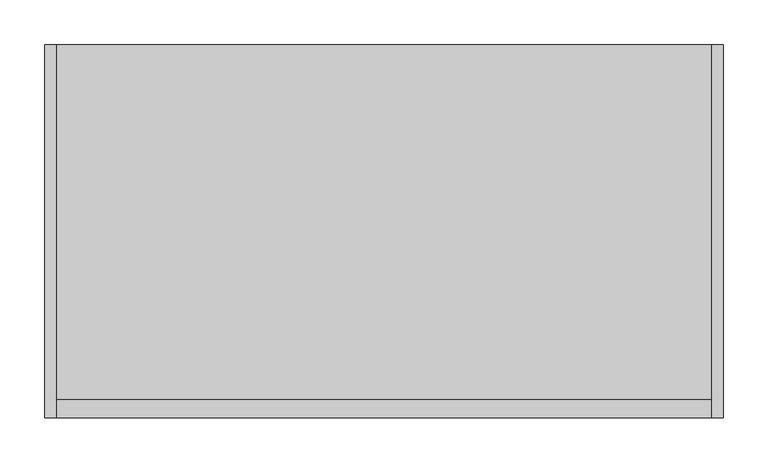
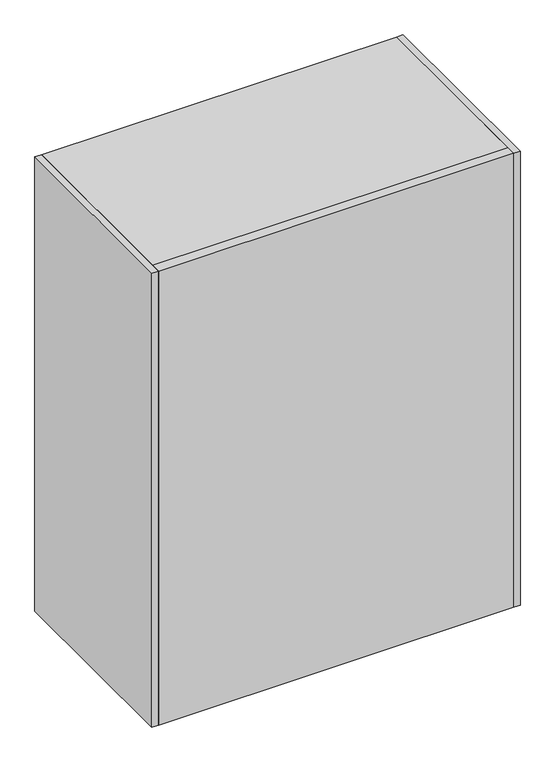
"""IFC4 building model written with IfcOpenShell, lengths in millimetres: furniture geometry."""

from ifc_helpers import new_model, si_unit, point, frame, frame_2d, origin, origin_with_axes, place, context, project, spatial, polyline, circle_curve, trimmed, segment, composite_curve, outline, extrude, source, transform, mapped, element, save


def furniture_335215fd(model_context):
    return source(origin(), model_context, "Body", "SweptSolid", [
        extrude(outline(composite_curve([segment(trimmed(circle_curve(frame_2d((19.0968082, -378.206)), 14.478), [point((4.6188082, -378.206))], [point((33.5748082, -378.206))], False, "CARTESIAN"), True, "CONTINUOUS"), segment(trimmed(circle_curve(frame_2d((19.0968082, -378.206)), 14.478), [point((33.5748082, -378.206))], [point((4.6188082, -378.206))], False, "CARTESIAN"), True, "CONTINUOUS")], self_intersect=False)), origin_with_axes(), (0.0, 0.0, 1.0), 12.7),
        extrude(outline(composite_curve([segment(trimmed(circle_curve(frame_2d((19.0968082, -32.9945444)), 14.478), [point((4.6188082, -32.9945444))], [point((33.5748082, -32.9945444))], False, "CARTESIAN"), True, "CONTINUOUS"), segment(trimmed(circle_curve(frame_2d((19.0968082, -32.9945444)), 14.478), [point((33.5748082, -32.9945444))], [point((4.6188082, -32.9945444))], False, "CARTESIAN"), True, "CONTINUOUS")], self_intersect=False)), origin_with_axes(), (0.0, 0.0, 1.0), 12.7),
        extrude(outline(composite_curve([segment(trimmed(circle_curve(frame_2d((709.4419262, -378.2001289)), 14.478), [point((694.9639262, -378.2001289))], [point((723.9199262, -378.2001289))], False, "CARTESIAN"), True, "CONTINUOUS"), segment(trimmed(circle_curve(frame_2d((709.4419262, -378.2001289)), 14.478), [point((723.9199262, -378.2001289))], [point((694.9639262, -378.2001289))], False, "CARTESIAN"), True, "CONTINUOUS")], self_intersect=False)), origin_with_axes(), (0.0, 0.0, 1.0), 12.7),
        extrude(outline(composite_curve([segment(trimmed(circle_curve(frame_2d((709.4419262, -33.1004588)), 14.478), [point((694.9639262, -33.1004588))], [point((723.9199262, -33.1004588))], False, "CARTESIAN"), True, "CONTINUOUS"), segment(trimmed(circle_curve(frame_2d((709.4419262, -33.1004588)), 14.478), [point((723.9199262, -33.1004588))], [point((694.9639262, -33.1004588))], False, "CARTESIAN"), True, "CONTINUOUS")], self_intersect=False)), origin_with_axes(), (0.0, 0.0, 1.0), 12.7),
        extrude(outline(polyline([(-398.4755503, 1005.0526014), (0.0, 1005.0526014), (0.0, 984.8850097), (-398.4755503, 984.8850097), (-398.4755503, 668.9852027), (0.0, 668.9852027), (0.0, 648.817611), (-398.4755503, 648.817611), (-398.4755503, 93.5990016), (0.0, 93.5990016), (0.0, 12.7), (-419.1, 12.7), (-419.1, 1005.0526014), (-398.4755503, 1005.0526014)]), holes=[polyline([(-398.4755503, 32.8675902), (-20.1673196, 32.8675902), (-20.1673196, 73.5075998), (-398.4755503, 73.5075998), (-398.4755503, 32.8675902)])]), frame((-2.6276215, 0.0, 0.0), z_axis=(1.0, 0.0, 0.0), x_axis=(0.0, 1.0, 0.0)), (0.0, 0.0, 1.0), 734.3639434),
        extrude(outline(polyline([(-2.6276215, -419.1), (-16.4460781, -419.1), (-16.4460781, 0.0), (-2.6276215, 0.0), (-2.6276215, -419.1)])), frame((0.0, 0.0, 12.7), z_axis=(0.0, 0.0, 1.0), x_axis=(1.0, 0.0, 0.0)), (0.0, 0.0, 1.0), 992.3526014),
        extrude(outline(polyline([(745.5539219, -419.1), (731.7363219, -419.1), (731.7363219, 0.0), (745.5539219, 0.0), (745.5539219, -419.1)])), frame((0.0, 0.0, 12.7), z_axis=(0.0, 0.0, 1.0), x_axis=(1.0, 0.0, 0.0)), (0.0, 0.0, 1.0), 992.3526014),
    ])


if __name__ == "__main__":
    model = new_model("IFC4")
    model_context = context("Model", 3, world=origin())
    ifc_project = project(units=[si_unit("LENGTHUNIT", "METRE", prefix="MILLI")], contexts=[model_context])
    site = spatial("IfcSite", under=ifc_project)
    building = spatial("IfcBuilding", under=site)
    placement = place(None, origin())
    furniture_shape = furniture_335215fd(model_context)
    element("IfcFurniture", 1, at=placement, inside=building, context=model_context, shape_type="MappedRepresentation", body=[
        mapped(furniture_shape, transform((0.0, 0.0, 0.0), x_axis=(1.0, 0.0, 0.0), y_axis=(0.0, 1.0, 0.0), z_axis=(0.0, 0.0, 1.0))),
    ])
    save(model, "model.ifc")
